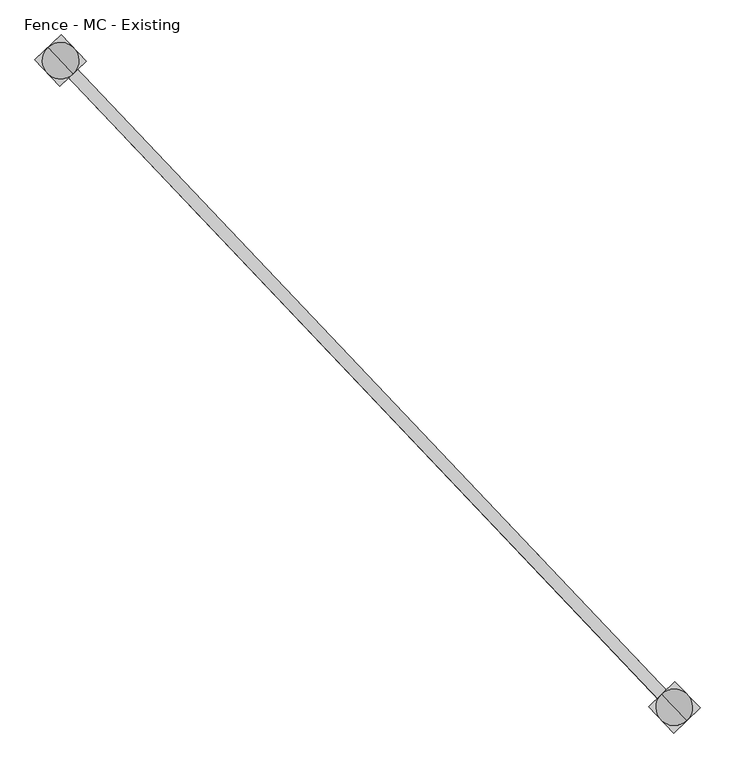
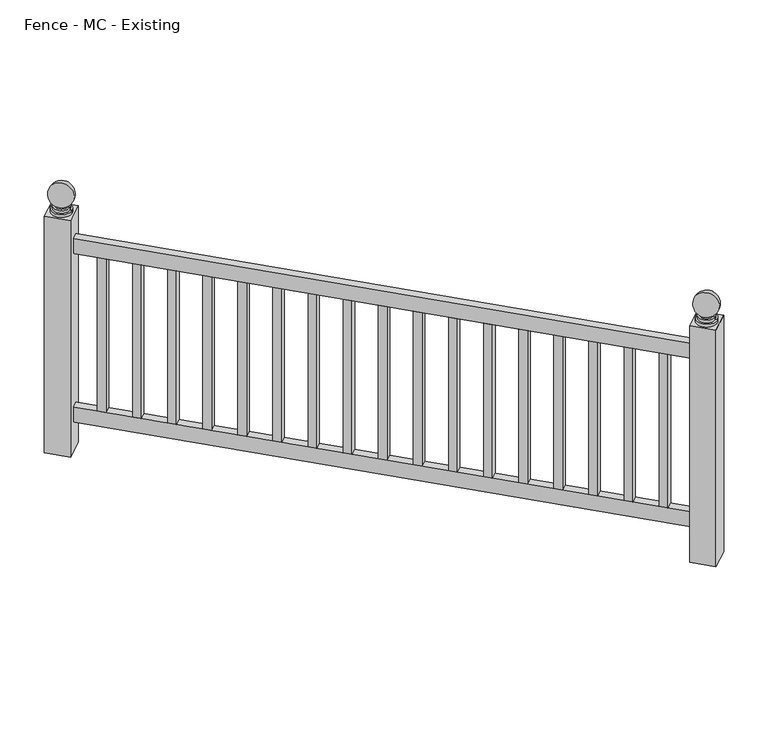
"""IFC4 building model written with IfcOpenShell, lengths in millimetres: railing geometry, Fence - MC - Existing."""

from ifc_helpers import new_model, si_unit, point, frame, origin, place, context, project, spatial, polyline, circle_curve, ellipse_curve, trimmed, outline, extrude, source, transform, mapped, element, save
from ifc_brep_helpers import plane_surface, cylinder_surface, revolved_surface, advanced_brep


def fence_mc_existing_d7a81559(model_context):
    return source(origin(), model_context, "Body", "SolidModel", [
        extrude(outline(polyline([(107012.2794868, 37116.7587267), (106993.8549778, 37099.2745204), (105708.7658204, 38453.4759337), (105727.1903295, 38470.9601399), (107012.2794868, 37116.7587267)])), frame((0.0, 0.0, 27660.6), z_axis=(0.0, 0.0, 1.0), x_axis=(1.0, 0.0, 0.0)), (0.0, 0.0, 1.0), 50.8),
        extrude(outline(polyline([(107012.2794868, 37116.7587267), (106993.8549778, 37099.2745204), (105708.7658204, 38453.4759337), (105727.1903295, 38470.9601399), (107012.2794868, 37116.7587267)])), frame((0.0, 0.0, 27089.1), z_axis=(0.0, 0.0, 1.0), x_axis=(1.0, 0.0, 0.0)), (0.0, 0.0, 1.0), 50.8),
        extrude(outline(polyline([(105749.0455872, 38447.9295036), (105730.6210782, 38430.4452974), (105713.136872, 38448.8698064), (105731.561381, 38466.3540127), (105749.0455872, 38447.9295036)])), frame((0.0, 0.0, 27139.9), z_axis=(0.0, 0.0, 1.0), x_axis=(1.0, 0.0, 0.0)), (0.0, 0.0, 1.0), 520.7),
        extrude(outline(polyline([(105818.9824121, 38374.2314675), (105800.5579031, 38356.7472613), (105783.0736969, 38375.1717703), (105801.4982059, 38392.6559766), (105818.9824121, 38374.2314675)])), frame((0.0, 0.0, 27139.9), z_axis=(0.0, 0.0, 1.0), x_axis=(1.0, 0.0, 0.0)), (0.0, 0.0, 1.0), 520.7),
        extrude(outline(polyline([(105888.919237, 38300.5334314), (105870.494728, 38283.0492252), (105853.0105218, 38301.4737342), (105871.4350308, 38318.9579405), (105888.919237, 38300.5334314)])), frame((0.0, 0.0, 27139.9), z_axis=(0.0, 0.0, 1.0), x_axis=(1.0, 0.0, 0.0)), (0.0, 0.0, 1.0), 520.7),
        extrude(outline(polyline([(105958.8560619, 38226.8353953), (105940.4315529, 38209.3511891), (105922.9473467, 38227.7756981), (105941.3718557, 38245.2599044), (105958.8560619, 38226.8353953)])), frame((0.0, 0.0, 27139.9), z_axis=(0.0, 0.0, 1.0), x_axis=(1.0, 0.0, 0.0)), (0.0, 0.0, 1.0), 520.7),
        extrude(outline(polyline([(106028.7928868, 38153.1373593), (106010.3683778, 38135.653153), (105992.8841716, 38154.0776621), (106011.3086806, 38171.5618683), (106028.7928868, 38153.1373593)])), frame((0.0, 0.0, 27139.9), z_axis=(0.0, 0.0, 1.0), x_axis=(1.0, 0.0, 0.0)), (0.0, 0.0, 1.0), 520.7),
        extrude(outline(polyline([(106098.7297117, 38079.4393232), (106080.3052027, 38061.9551169), (106062.8209965, 38080.379626), (106081.2455055, 38097.8638322), (106098.7297117, 38079.4393232)])), frame((0.0, 0.0, 27139.9), z_axis=(0.0, 0.0, 1.0), x_axis=(1.0, 0.0, 0.0)), (0.0, 0.0, 1.0), 520.7),
        extrude(outline(polyline([(106168.6665366, 38005.7412871), (106150.2420276, 37988.2570808), (106132.7578213, 38006.6815899), (106151.1823304, 38024.1657961), (106168.6665366, 38005.7412871)])), frame((0.0, 0.0, 27139.9), z_axis=(0.0, 0.0, 1.0), x_axis=(1.0, 0.0, 0.0)), (0.0, 0.0, 1.0), 520.7),
        extrude(outline(polyline([(106238.6033615, 37932.043251), (106220.1788525, 37914.5590447), (106202.6946462, 37932.9835538), (106221.1191553, 37950.46776), (106238.6033615, 37932.043251)])), frame((0.0, 0.0, 27139.9), z_axis=(0.0, 0.0, 1.0), x_axis=(1.0, 0.0, 0.0)), (0.0, 0.0, 1.0), 520.7),
        extrude(outline(polyline([(106308.5401864, 37858.3452149), (106290.1156773, 37840.8610086), (106272.6314711, 37859.2855177), (106291.0559801, 37876.7697239), (106308.5401864, 37858.3452149)])), frame((0.0, 0.0, 27139.9), z_axis=(0.0, 0.0, 1.0), x_axis=(1.0, 0.0, 0.0)), (0.0, 0.0, 1.0), 520.7),
        extrude(outline(polyline([(106378.4770113, 37784.6471788), (106360.0525022, 37767.1629726), (106342.568296, 37785.5874816), (106360.992805, 37803.0716878), (106378.4770113, 37784.6471788)])), frame((0.0, 0.0, 27139.9), z_axis=(0.0, 0.0, 1.0), x_axis=(1.0, 0.0, 0.0)), (0.0, 0.0, 1.0), 520.7),
        extrude(outline(polyline([(106448.4138362, 37710.9491427), (106429.9893271, 37693.4649365), (106412.5051209, 37711.8894455), (106430.9296299, 37729.3736517), (106448.4138362, 37710.9491427)])), frame((0.0, 0.0, 27139.9), z_axis=(0.0, 0.0, 1.0), x_axis=(1.0, 0.0, 0.0)), (0.0, 0.0, 1.0), 520.7),
        extrude(outline(polyline([(106518.350661, 37637.2511066), (106499.926152, 37619.7669004), (106482.4419458, 37638.1914094), (106500.8664548, 37655.6756156), (106518.350661, 37637.2511066)])), frame((0.0, 0.0, 27139.9), z_axis=(0.0, 0.0, 1.0), x_axis=(1.0, 0.0, 0.0)), (0.0, 0.0, 1.0), 520.7),
        extrude(outline(polyline([(106588.2874859, 37563.5530705), (106569.8629769, 37546.0688643), (106552.3787707, 37564.4933733), (106570.8032797, 37581.9775795), (106588.2874859, 37563.5530705)])), frame((0.0, 0.0, 27139.9), z_axis=(0.0, 0.0, 1.0), x_axis=(1.0, 0.0, 0.0)), (0.0, 0.0, 1.0), 520.7),
        extrude(outline(polyline([(106658.2243108, 37489.8550344), (106639.7998018, 37472.3708282), (106622.3155956, 37490.7953372), (106640.7401046, 37508.2795434), (106658.2243108, 37489.8550344)])), frame((0.0, 0.0, 27139.9), z_axis=(0.0, 0.0, 1.0), x_axis=(1.0, 0.0, 0.0)), (0.0, 0.0, 1.0), 520.7),
        extrude(outline(polyline([(106728.1611357, 37416.1569983), (106709.7366267, 37398.6727921), (106692.2524205, 37417.0973011), (106710.6769295, 37434.5815073), (106728.1611357, 37416.1569983)])), frame((0.0, 0.0, 27139.9), z_axis=(0.0, 0.0, 1.0), x_axis=(1.0, 0.0, 0.0)), (0.0, 0.0, 1.0), 520.7),
        extrude(outline(polyline([(106798.0979606, 37342.4589622), (106779.6734516, 37324.974756), (106762.1892454, 37343.399265), (106780.6137544, 37360.8834712), (106798.0979606, 37342.4589622)])), frame((0.0, 0.0, 27139.9), z_axis=(0.0, 0.0, 1.0), x_axis=(1.0, 0.0, 0.0)), (0.0, 0.0, 1.0), 520.7),
        extrude(outline(polyline([(106868.0347855, 37268.7609261), (106849.6102765, 37251.2767199), (106832.1260702, 37269.7012289), (106850.5505793, 37287.1854351), (106868.0347855, 37268.7609261)])), frame((0.0, 0.0, 27139.9), z_axis=(0.0, 0.0, 1.0), x_axis=(1.0, 0.0, 0.0)), (0.0, 0.0, 1.0), 520.7),
        extrude(outline(polyline([(106937.9716104, 37195.06289), (106919.5471014, 37177.5786838), (106902.0628951, 37196.0031928), (106920.4874042, 37213.487399), (106937.9716104, 37195.06289)])), frame((0.0, 0.0, 27139.9), z_axis=(0.0, 0.0, 1.0), x_axis=(1.0, 0.0, 0.0)), (0.0, 0.0, 1.0), 520.7),
        extrude(outline(polyline([(107007.9084353, 37121.3648539), (106989.4839263, 37103.8806477), (106971.99972, 37122.3051567), (106990.4242291, 37139.7893629), (107007.9084353, 37121.3648539)])), frame((0.0, 0.0, 27139.9), z_axis=(0.0, 0.0, 1.0), x_axis=(1.0, 0.0, 0.0)), (0.0, 0.0, 1.0), 520.7),
        advanced_brep(
        [(105696.1228172, 38485.2486731, 27787.6), (105739.8333327, 38439.1874005, 27787.6), (105717.978075, 38462.2180368, 27787.6), (105696.1228172, 38485.2486731, 27797.125), (105739.8333327, 38439.1874005, 27797.125), (105700.4938687, 38480.6425458, 27797.125), (105735.4622812, 38443.7935278, 27797.125), (105700.4938687, 38480.6425458, 27806.65), (105735.4622812, 38443.7935278, 27806.65), (105704.8649203, 38476.0364186, 27806.65), (105731.0912296, 38448.399655, 27806.65), (105704.8649203, 38476.0364186, 27811.7544321), (105731.0912296, 38448.399655, 27811.7544321), (105717.978075, 38462.2180368, 27882.85)],
        [
            (0, 1, circle_curve(frame((105717.978075, 38462.2180368, 27787.6), z_axis=(0.0, 0.0, -1.0), x_axis=(0.6883545756937386, -0.7253743710123023, 0.0)), 31.75)),
            (1, 2),
            (2, 0),
            (1, 0, circle_curve(frame((105717.978075, 38462.2180368, 27787.6), z_axis=(0.0, 0.0, -1.0), x_axis=(0.6883545756937386, -0.7253743710123023, 0.0)), 31.75)),
            (0, 3),
            (3, 4, circle_curve(frame((105717.978075, 38462.2180368, 27797.125), z_axis=(0.0, 0.0, -1.0), x_axis=(0.6883545756937386, -0.7253743710123023, 0.0)), 31.75)),
            (4, 1),
            (4, 3, circle_curve(frame((105717.978075, 38462.2180368, 27797.125), z_axis=(0.0, 0.0, -1.0), x_axis=(0.6883545756937386, -0.7253743710123023, 0.0)), 31.75)),
            (3, 5),
            (5, 6, circle_curve(frame((105717.978075, 38462.2180368, 27797.125), z_axis=(0.0, 0.0, -1.0), x_axis=(0.6883545756937386, -0.7253743710123023, 0.0)), 25.4)),
            (6, 4),
            (6, 5, circle_curve(frame((105717.978075, 38462.2180368, 27797.125), z_axis=(0.0, 0.0, -1.0), x_axis=(0.6883545756937386, -0.7253743710123023, 0.0)), 25.4)),
            (5, 7),
            (7, 8, circle_curve(frame((105717.978075, 38462.2180368, 27806.65), z_axis=(0.0, 0.0, -1.0), x_axis=(0.6883545756937386, -0.7253743710123023, 0.0)), 25.4)),
            (8, 6),
            (8, 7, circle_curve(frame((105717.978075, 38462.2180368, 27806.65), z_axis=(0.0, 0.0, -1.0), x_axis=(0.6883545756937386, -0.7253743710123023, 0.0)), 25.4)),
            (7, 9),
            (9, 10, circle_curve(frame((105717.978075, 38462.2180368, 27806.65), z_axis=(0.0, 0.0, -1.0), x_axis=(0.6883545756937386, -0.7253743710123023, 0.0)), 19.05)),
            (10, 8),
            (10, 9, circle_curve(frame((105717.978075, 38462.2180368, 27806.65), z_axis=(0.0, 0.0, -1.0), x_axis=(0.6883545756937386, -0.7253743710123023, 0.0)), 19.05)),
            (9, 11),
            (11, 12, circle_curve(frame((105717.978075, 38462.2180368, 27811.7544321), z_axis=(0.0, 0.0, -1.0), x_axis=(0.6883545756937386, -0.7253743710123023, 0.0)), 19.05)),
            (12, 10),
            (12, 11, circle_curve(frame((105717.978075, 38462.2180368, 27811.7544321), z_axis=(0.0, 0.0, -1.0), x_axis=(0.6883545756937386, -0.7253743710123023, 0.0)), 19.05)),
            (11, 13, circle_curve(frame((105717.978075, 38462.2180368, 27844.75), z_axis=(0.7253743710123045, 0.6883545756937363, 0.0), x_axis=(-0.6883545756937363, 0.7253743710123045, 0.0)), 38.1)),
            (13, 12, circle_curve(frame((105717.978075, 38462.2180368, 27844.75), z_axis=(0.7253743710123023, 0.6883545756937386, 0.0), x_axis=(0.6883545756937386, -0.7253743710123023, 0.0)), 38.1)),
        ],
        [
            plane_surface(frame((105717.978075, 38462.2180368, 27787.6), z_axis=(0.0, 0.0, -1.0), x_axis=(0.6883545756937386, -0.7253743710123023, 0.0))),
            cylinder_surface(frame((105717.978075, 38462.2180368, 27787.6), z_axis=(0.0, 0.0, 1.0), x_axis=(0.6883545756937386, -0.7253743710123023, 0.0)), 31.75),
            plane_surface(frame((105717.978075, 38462.2180368, 27797.125), z_axis=(0.0, 0.0, 1.0), x_axis=(0.6883545756937386, -0.7253743710123023, 0.0))),
            cylinder_surface(frame((105717.978075, 38462.2180368, 27787.6), z_axis=(0.0, 0.0, 1.0), x_axis=(0.6883545756937386, -0.7253743710123023, 0.0)), 25.4),
            plane_surface(frame((105717.978075, 38462.2180368, 27806.65), z_axis=(0.0, 0.0, 1.0), x_axis=(0.6883545756937386, -0.7253743710123023, 0.0))),
            cylinder_surface(frame((105717.978075, 38462.2180368, 27787.6), z_axis=(0.0, 0.0, 1.0), x_axis=(0.6883545756937386, -0.7253743710123023, 0.0)), 19.05),
            revolved_surface(trimmed(ellipse_curve(frame((105717.978075, 38462.2180368, 27844.75), z_axis=(-0.7253743710123023, -0.6883545756937386, 0.0), x_axis=(0.6883545756937386, -0.7253743710123023, 0.0)), 38.1, 38.1), [point((105731.0912296, 38448.399655, 27811.7544321))], [point((105717.978075, 38462.2180368, 27882.85))], True, "CARTESIAN"), (105717.978075, 38462.2180368, 27787.6), (0.0, 0.0, 1.0)),
        ],
        [
            (0, [[1, 2, 3]]),
            (0, [[-2, 4, -3]]),
            (1, [[-1, 5, 6, 7]]),
            (1, [[-4, -7, 8, -5]]),
            (2, [[-6, 9, 10, 11]]),
            (2, [[-8, -11, 12, -9]]),
            (3, [[-10, 13, 14, 15]]),
            (3, [[-12, -15, 16, -13]]),
            (4, [[-14, 17, 18, 19]]),
            (4, [[-16, -19, 20, -17]]),
            (5, [[-18, 21, 22, 23]]),
            (5, [[-20, -23, 24, -21]]),
            (6, [[-22, 25, 26]]),
            (6, [[-24, -26, -25]]),
        ],
    ),
        extrude(outline(polyline([(105716.5676208, 38408.3549639), (105664.1150021, 38463.628491), (105719.3885292, 38516.0811097), (105771.8411478, 38460.8075826), (105716.5676208, 38408.3549639)])), frame((0.0, 0.0, 26987.5), z_axis=(0.0, 0.0, 1.0), x_axis=(1.0, 0.0, 0.0)), (0.0, 0.0, 1.0), 800.1),
        advanced_brep(
        [(106981.2119745, 37131.0472598, 27787.6), (107024.9224901, 37084.9859873, 27787.6), (107003.0672323, 37108.0166236, 27787.6), (106981.2119745, 37131.0472598, 27797.125), (107024.9224901, 37084.9859873, 27797.125), (106985.5830261, 37126.4411326, 27797.125), (107020.5514385, 37089.5921145, 27797.125), (106985.5830261, 37126.4411326, 27806.65), (107020.5514385, 37089.5921145, 27806.65), (106989.9540777, 37121.8350053, 27806.65), (107016.180387, 37094.1982418, 27806.65), (106989.9540777, 37121.8350053, 27811.7544321), (107016.180387, 37094.1982418, 27811.7544321), (107003.0672323, 37108.0166236, 27882.85)],
        [
            (0, 1, circle_curve(frame((107003.0672323, 37108.0166236, 27787.6), z_axis=(0.0, 0.0, -1.0), x_axis=(0.6883545756937386, -0.7253743710123023, 0.0)), 31.75)),
            (1, 2),
            (2, 0),
            (1, 0, circle_curve(frame((107003.0672323, 37108.0166236, 27787.6), z_axis=(0.0, 0.0, -1.0), x_axis=(0.6883545756937386, -0.7253743710123023, 0.0)), 31.75)),
            (0, 3),
            (3, 4, circle_curve(frame((107003.0672323, 37108.0166236, 27797.125), z_axis=(0.0, 0.0, -1.0), x_axis=(0.6883545756937386, -0.7253743710123023, 0.0)), 31.75)),
            (4, 1),
            (4, 3, circle_curve(frame((107003.0672323, 37108.0166236, 27797.125), z_axis=(0.0, 0.0, -1.0), x_axis=(0.6883545756937386, -0.7253743710123023, 0.0)), 31.75)),
            (3, 5),
            (5, 6, circle_curve(frame((107003.0672323, 37108.0166236, 27797.125), z_axis=(0.0, 0.0, -1.0), x_axis=(0.6883545756937386, -0.7253743710123023, 0.0)), 25.4)),
            (6, 4),
            (6, 5, circle_curve(frame((107003.0672323, 37108.0166236, 27797.125), z_axis=(0.0, 0.0, -1.0), x_axis=(0.6883545756937386, -0.7253743710123023, 0.0)), 25.4)),
            (5, 7),
            (7, 8, circle_curve(frame((107003.0672323, 37108.0166236, 27806.65), z_axis=(0.0, 0.0, -1.0), x_axis=(0.6883545756937386, -0.7253743710123023, 0.0)), 25.4)),
            (8, 6),
            (8, 7, circle_curve(frame((107003.0672323, 37108.0166236, 27806.65), z_axis=(0.0, 0.0, -1.0), x_axis=(0.6883545756937386, -0.7253743710123023, 0.0)), 25.4)),
            (7, 9),
            (9, 10, circle_curve(frame((107003.0672323, 37108.0166236, 27806.65), z_axis=(0.0, 0.0, -1.0), x_axis=(0.6883545756937386, -0.7253743710123023, 0.0)), 19.05)),
            (10, 8),
            (10, 9, circle_curve(frame((107003.0672323, 37108.0166236, 27806.65), z_axis=(0.0, 0.0, -1.0), x_axis=(0.6883545756937386, -0.7253743710123023, 0.0)), 19.05)),
            (9, 11),
            (11, 12, circle_curve(frame((107003.0672323, 37108.0166236, 27811.7544321), z_axis=(0.0, 0.0, -1.0), x_axis=(0.6883545756937386, -0.7253743710123023, 0.0)), 19.05)),
            (12, 10),
            (12, 11, circle_curve(frame((107003.0672323, 37108.0166236, 27811.7544321), z_axis=(0.0, 0.0, -1.0), x_axis=(0.6883545756937386, -0.7253743710123023, 0.0)), 19.05)),
            (11, 13, circle_curve(frame((107003.0672323, 37108.0166236, 27844.75), z_axis=(0.7253743710123045, 0.6883545756937363, 0.0), x_axis=(-0.6883545756937363, 0.7253743710123045, 0.0)), 38.1)),
            (13, 12, circle_curve(frame((107003.0672323, 37108.0166236, 27844.75), z_axis=(0.7253743710123023, 0.6883545756937386, 0.0), x_axis=(0.6883545756937386, -0.7253743710123023, 0.0)), 38.1)),
        ],
        [
            plane_surface(frame((107003.0672323, 37108.0166236, 27787.6), z_axis=(0.0, 0.0, -1.0), x_axis=(0.6883545756937386, -0.7253743710123023, 0.0))),
            cylinder_surface(frame((107003.0672323, 37108.0166236, 27787.6), z_axis=(0.0, 0.0, 1.0), x_axis=(0.6883545756937386, -0.7253743710123023, 0.0)), 31.75),
            plane_surface(frame((107003.0672323, 37108.0166236, 27797.125), z_axis=(0.0, 0.0, 1.0), x_axis=(0.6883545756937386, -0.7253743710123023, 0.0))),
            cylinder_surface(frame((107003.0672323, 37108.0166236, 27787.6), z_axis=(0.0, 0.0, 1.0), x_axis=(0.6883545756937386, -0.7253743710123023, 0.0)), 25.4),
            plane_surface(frame((107003.0672323, 37108.0166236, 27806.65), z_axis=(0.0, 0.0, 1.0), x_axis=(0.6883545756937386, -0.7253743710123023, 0.0))),
            cylinder_surface(frame((107003.0672323, 37108.0166236, 27787.6), z_axis=(0.0, 0.0, 1.0), x_axis=(0.6883545756937386, -0.7253743710123023, 0.0)), 19.05),
            revolved_surface(trimmed(ellipse_curve(frame((107003.0672323, 37108.0166236, 27844.75), z_axis=(-0.7253743710123023, -0.6883545756937386, 0.0), x_axis=(0.6883545756937386, -0.7253743710123023, 0.0)), 38.1, 38.1), [point((107016.180387, 37094.1982418, 27811.7544321))], [point((107003.0672323, 37108.0166236, 27882.85))], True, "CARTESIAN"), (107003.0672323, 37108.0166236, 27787.6), (0.0, 0.0, 1.0)),
        ],
        [
            (0, [[1, 2, 3]]),
            (0, [[-2, 4, -3]]),
            (1, [[-1, 5, 6, 7]]),
            (1, [[-4, -7, 8, -5]]),
            (2, [[-6, 9, 10, 11]]),
            (2, [[-8, -11, 12, -9]]),
            (3, [[-10, 13, 14, 15]]),
            (3, [[-12, -15, 16, -13]]),
            (4, [[-14, 17, 18, 19]]),
            (4, [[-16, -19, 20, -17]]),
            (5, [[-18, 21, 22, 23]]),
            (5, [[-20, -23, 24, -21]]),
            (6, [[-22, 25, 26]]),
            (6, [[-24, -26, -25]]),
        ],
    ),
        extrude(outline(polyline([(107001.6567781, 37054.1535507), (106949.2041594, 37109.4270778), (107004.4776865, 37161.8796964), (107056.9303052, 37106.6061694), (107001.6567781, 37054.1535507)])), frame((0.0, 0.0, 26987.5), z_axis=(0.0, 0.0, 1.0), x_axis=(1.0, 0.0, 0.0)), (0.0, 0.0, 1.0), 800.1),
    ])


if __name__ == "__main__":
    model = new_model("IFC4")
    model_context = context("Model", 3, world=origin())
    ifc_project = project(units=[si_unit("LENGTHUNIT", "METRE", prefix="MILLI")], contexts=[model_context])
    site = spatial("IfcSite", under=ifc_project)
    building = spatial("IfcBuilding", under=site)
    placement = place(None, origin())
    fence_mc_existing_shape = fence_mc_existing_d7a81559(model_context)
    element("IfcRailing", 1, ObjectType="Fence - MC - Existing", at=placement, inside=building, context=model_context, shape_type="MappedRepresentation", body=[
        mapped(fence_mc_existing_shape, transform((0.0, 0.0, 0.0), x_axis=(1.0, 0.0, 0.0), y_axis=(0.0, 1.0, 0.0), z_axis=(0.0, 0.0, 1.0))),
    ])
    save(model, "model.ifc")
